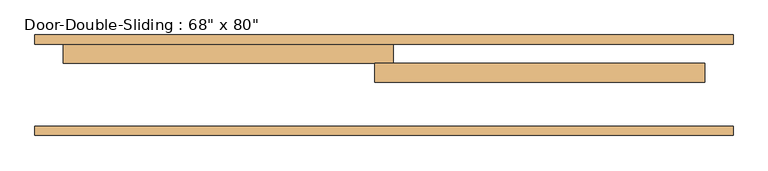
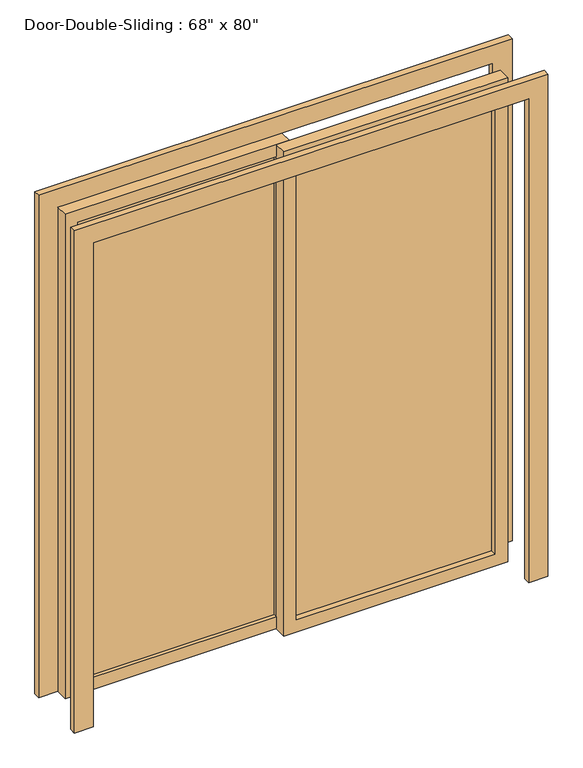
"""IFC4 building model written with IfcOpenShell, lengths in millimetres: door geometry."""

from ifc_helpers import new_model, si_unit, frame, origin, place, context, project, spatial, polyline, outline, extrude, source, transform, mapped, element, save


def door_4acf30ea(model_context):
    return source(origin(), model_context, "Body", "SweptSolid", [
        extrude(outline(polyline([(0.0, -939.8), (0.0, -863.6), (2032.0, -863.6), (2032.0, 863.6), (0.0, 863.6), (0.0, 939.8), (2108.2, 939.8), (2108.2, -939.8), (0.0, -939.8)])), frame((0.0, -8.4, 0.0), z_axis=(0.0, 1.0, 0.0), x_axis=(0.0, 0.0, 1.0)), (0.0, 0.0, 1.0), 25.4),
        extrude(outline(polyline([(0.0, 939.8), (2108.2, 939.8), (2108.2, -939.8), (0.0, -939.8), (0.0, -863.6), (2032.0, -863.6), (2032.0, 863.6), (0.0, 863.6), (0.0, 939.8)])), frame((0.0, 237.0, 0.0), z_axis=(0.0, 1.0, 0.0), x_axis=(0.0, 0.0, 1.0)), (0.0, 0.0, 1.0), 25.4),
        extrude(outline(polyline([(2032.0, -25.4), (0.0, -25.4), (0.0, 863.6), (2032.0, 863.6), (2032.0, -25.4)]), holes=[polyline([(1981.2, 25.4), (1981.2, 812.8), (50.8, 812.8), (50.8, 25.4), (1981.2, 25.4)])]), frame((0.0, 135.4, 0.0), z_axis=(0.0, 1.0, 0.0), x_axis=(0.0, 0.0, 1.0)), (0.0, 0.0, 1.0), 50.8),
        extrude(outline(polyline([(2032.0, 25.4), (2032.0, -863.6), (0.0, -863.6), (0.0, 25.4), (2032.0, 25.4)]), holes=[polyline([(1981.2, -25.4), (50.8, -25.4), (50.8, -812.8), (1981.2, -812.8), (1981.2, -25.4)])]), frame((0.0, 186.2, 0.0), z_axis=(0.0, 1.0, 0.0), x_axis=(0.0, 0.0, 1.0)), (0.0, 0.0, 1.0), 50.8),
        extrude(outline(polyline([(25.4, 163.975), (812.8, 163.975), (812.8, 157.625), (25.4, 157.625), (25.4, 163.975)])), frame((0.0, 0.0, 50.8), z_axis=(0.0, 0.0, 1.0), x_axis=(1.0, 0.0, 0.0)), (0.0, 0.0, 1.0), 1930.4),
        extrude(outline(polyline([(-25.4, 200.025), (-812.8, 200.025), (-812.8, 206.375), (-25.4, 206.375), (-25.4, 200.025)])), frame((0.0, 0.0, 50.8), z_axis=(0.0, 0.0, 1.0), x_axis=(1.0, 0.0, 0.0)), (0.0, 0.0, 1.0), 1930.4),
    ])


if __name__ == "__main__":
    model = new_model("IFC4")
    model_context = context("Model", 3, world=origin())
    ifc_project = project(units=[si_unit("LENGTHUNIT", "METRE", prefix="MILLI")], contexts=[model_context])
    site = spatial("IfcSite", under=ifc_project)
    building = spatial("IfcBuilding", under=site)
    placement = place(None, origin())
    door_shape = door_4acf30ea(model_context)
    element("IfcDoor", 1, ObjectType="Door-Double-Sliding : 68\" x 80\"", at=placement, inside=building, context=model_context, shape_type="MappedRepresentation", body=[
        mapped(door_shape, transform((0.0, 0.0, 0.0), x_axis=(1.0, 0.0, 0.0), y_axis=(0.0, 1.0, 0.0), z_axis=(0.0, 0.0, 1.0))),
    ])
    save(model, "model.ifc")
